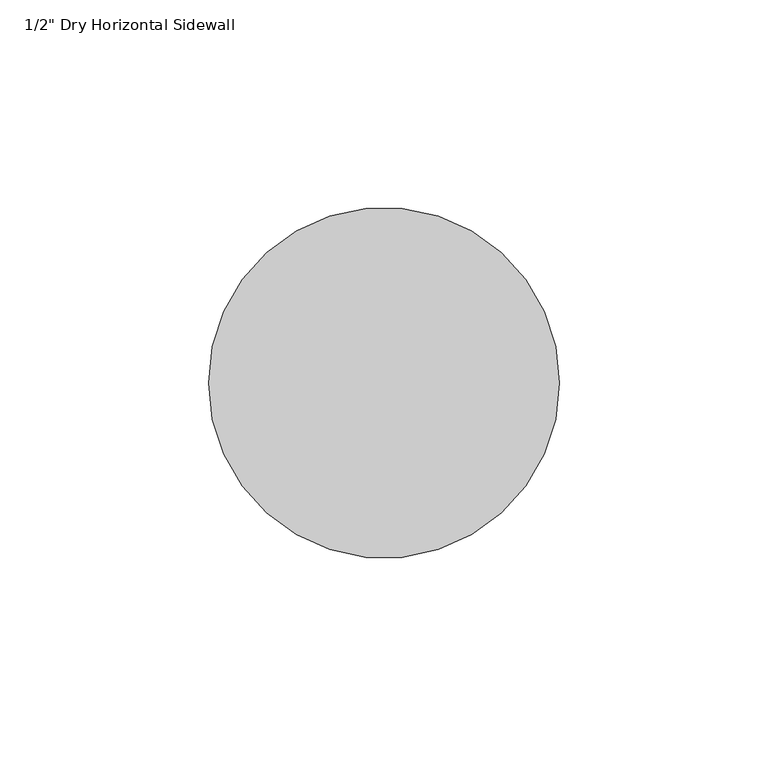
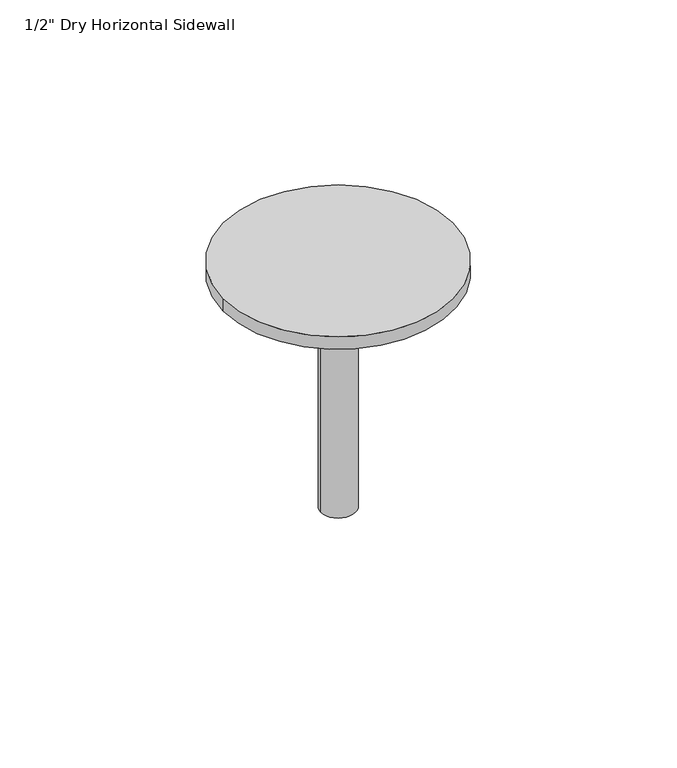
"""IFC4 building model written with IfcOpenShell, lengths in millimetres: fire suppression terminal geometry."""

from ifc_helpers import new_model, si_unit, frame, origin, origin_with_axes, place, context, project, spatial, circle_curve, source, transform, mapped, element, save
from ifc_brep_helpers import plane_surface, cylinder_surface, advanced_brep


def fire_suppression_terminal_39095b0a(model_context):
    return source(origin(), model_context, "Body", "AdvancedBrep", [
        advanced_brep(
        [(-42.06875, 0.0, 4.7625), (42.06875, 0.0, 4.7625), (-42.06875, 0.0, 0.0), (42.06875, 0.0, 0.0), (-6.35, 0.0, 0.0), (6.35, 0.0, 0.0), (-6.35, 0.0, -90.4875), (6.35, 0.0, -90.4875)],
        [
            (0, 1, circle_curve(frame((0.0, 0.0, 4.7625), z_axis=(0.0, 0.0, 1.0), x_axis=(1.0, 0.0, 0.0)), 42.06875)),
            (1, 0, circle_curve(frame((0.0, 0.0, 4.7625), z_axis=(0.0, 0.0, 1.0), x_axis=(1.0, 0.0, 0.0)), 42.06875)),
            (2, 3, circle_curve(frame((0.0, 0.0, 0.0), z_axis=(0.0, 0.0, -1.0), x_axis=(1.0, 0.0, 0.0)), 42.06875)),
            (3, 2, circle_curve(frame((0.0, 0.0, 0.0), z_axis=(0.0, 0.0, -1.0), x_axis=(1.0, 0.0, 0.0)), 42.06875)),
            (4, 5, circle_curve(origin_with_axes(), 6.35)),
            (5, 4, circle_curve(origin_with_axes(), 6.35)),
            (0, 2),
            (3, 1),
            (6, 7, circle_curve(frame((0.0, 0.0, -90.4875), z_axis=(0.0, 0.0, -1.0), x_axis=(1.0, 0.0, 0.0)), 6.35)),
            (7, 6, circle_curve(frame((0.0, 0.0, -90.4875), z_axis=(0.0, 0.0, -1.0), x_axis=(1.0, 0.0, 0.0)), 6.35)),
            (7, 5),
            (4, 6),
        ],
        [
            plane_surface(frame((42.06875, 0.0, 4.7625), z_axis=(0.0, 0.0, 1.0), x_axis=(0.0, 1.0, 0.0))),
            plane_surface(frame((42.06875, 0.0, 0.0), z_axis=(0.0, 0.0, -1.0), x_axis=(0.0, -1.0, 0.0))),
            cylinder_surface(origin_with_axes(), 42.06875),
            plane_surface(frame((6.35, 0.0, -90.4875), z_axis=(0.0, 0.0, -1.0), x_axis=(0.0, -1.0, 0.0))),
            cylinder_surface(frame((0.0, 0.0, -90.4875), z_axis=(0.0, 0.0, 1.0), x_axis=(1.0, 0.0, 0.0)), 6.35),
        ],
        [
            (0, [[1, 2]]),
            (1, [[3, 4], [5, 6]]),
            (2, [[-1, 7, -4, 8]]),
            (2, [[-2, -8, -3, -7]]),
            (3, [[9, 10]]),
            (4, [[-10, 11, -5, 12]]),
            (4, [[-9, -12, -6, -11]]),
        ],
    ),
    ])


if __name__ == "__main__":
    model = new_model("IFC4")
    model_context = context("Model", 3, world=origin())
    ifc_project = project(units=[si_unit("LENGTHUNIT", "METRE", prefix="MILLI")], contexts=[model_context])
    site = spatial("IfcSite", under=ifc_project)
    building = spatial("IfcBuilding", under=site)
    placement = place(None, origin())
    fire_suppression_terminal_shape = fire_suppression_terminal_39095b0a(model_context)
    element("IfcFireSuppressionTerminal", 1, ObjectType="1/2\" Dry Horizontal Sidewall", at=placement, inside=building, context=model_context, shape_type="MappedRepresentation", body=[
        mapped(fire_suppression_terminal_shape, transform((0.0, 0.0, 0.0), x_axis=(1.0, 0.0, 0.0), y_axis=(0.0, 1.0, 0.0), z_axis=(0.0, 0.0, 1.0))),
    ])
    save(model, "model.ifc")
